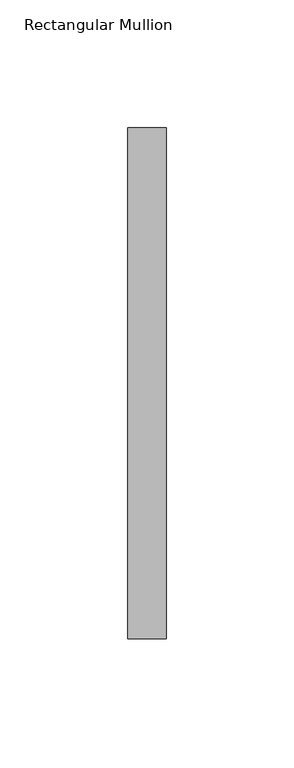
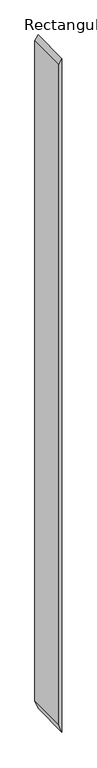
"""IFC4 building model written with IfcOpenShell, lengths in millimetres: member geometry, Rectangular Mullion."""

from ifc_helpers import new_model, si_unit, frame, origin, place, context, project, spatial, polyline, outline, extrude, source, transform, mapped, element, save


def rectangular_mullion_053cb9da(model_context):
    return source(origin(), model_context, "Body", "SweptSolid", [
        extrude(outline(polyline([(0.0, 0.0), (-25.6652944, -15.0), (-3388.4609797, -15.0), (-3431.7019772, 0.0), (0.0, 0.0)])), frame((0.0, -253.0, 0.0), z_axis=(0.0, 1.0, 0.0), x_axis=(0.0, 0.0, 1.0)), (0.0, 0.0, 1.0), 200.0),
    ])


if __name__ == "__main__":
    model = new_model("IFC4")
    model_context = context("Model", 3, world=origin())
    ifc_project = project(units=[si_unit("LENGTHUNIT", "METRE", prefix="MILLI")], contexts=[model_context])
    site = spatial("IfcSite", under=ifc_project)
    building = spatial("IfcBuilding", under=site)
    placement = place(None, origin())
    rectangular_mullion_shape = rectangular_mullion_053cb9da(model_context)
    element("IfcMember", 1, ObjectType="Rectangular Mullion", at=placement, inside=building, context=model_context, shape_type="MappedRepresentation", body=[
        mapped(rectangular_mullion_shape, transform((0.0, 0.0, 0.0), x_axis=(1.0, 0.0, 0.0), y_axis=(0.0, 1.0, 0.0), z_axis=(0.0, 0.0, 1.0))),
    ])
    save(model, "model.ifc")
